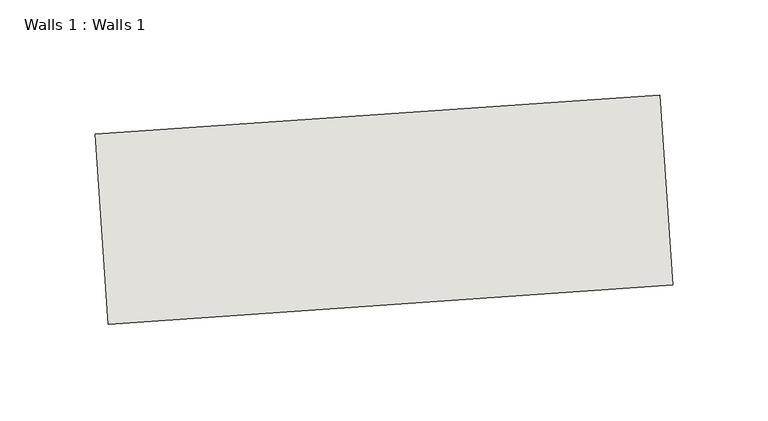
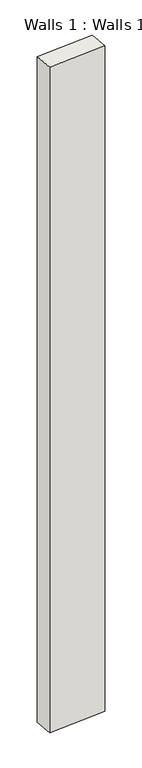
"""IFC4 building model written with IfcOpenShell, lengths in millimetres: wall geometry, Walls 1 : Walls 1."""

from ifc_helpers import new_model, si_unit, origin, origin_with_axes, place, context, project, spatial, polyline, outline, extrude, source, transform, mapped, element, save


def walls_1_walls_1_c61d0973(model_context):
    return source(origin(), model_context, "Body", "SweptSolid", [
        extrude(outline(polyline([(12510.2498078, -5531.7642052), (12806.2660455, -5511.213602), (12813.1917663, -5610.9734857), (12517.1755286, -5631.5240889), (12510.2498078, -5531.7642052)])), origin_with_axes(), (0.0, 0.0, 1.0), 3630.1558482),
    ])


if __name__ == "__main__":
    model = new_model("IFC4")
    model_context = context("Model", 3, world=origin())
    ifc_project = project(units=[si_unit("LENGTHUNIT", "METRE", prefix="MILLI")], contexts=[model_context])
    site = spatial("IfcSite", under=ifc_project)
    building = spatial("IfcBuilding", under=site)
    placement = place(None, origin())
    walls_1_walls_1_shape = walls_1_walls_1_c61d0973(model_context)
    element("IfcWall", 1, ObjectType="Walls 1 : Walls 1", at=placement, inside=building, context=model_context, shape_type="MappedRepresentation", body=[
        mapped(walls_1_walls_1_shape, transform((0.0, 0.0, 0.0), x_axis=(1.0, 0.0, 0.0), y_axis=(0.0, 1.0, 0.0), z_axis=(0.0, 0.0, 1.0))),
    ])
    save(model, "model.ifc")
